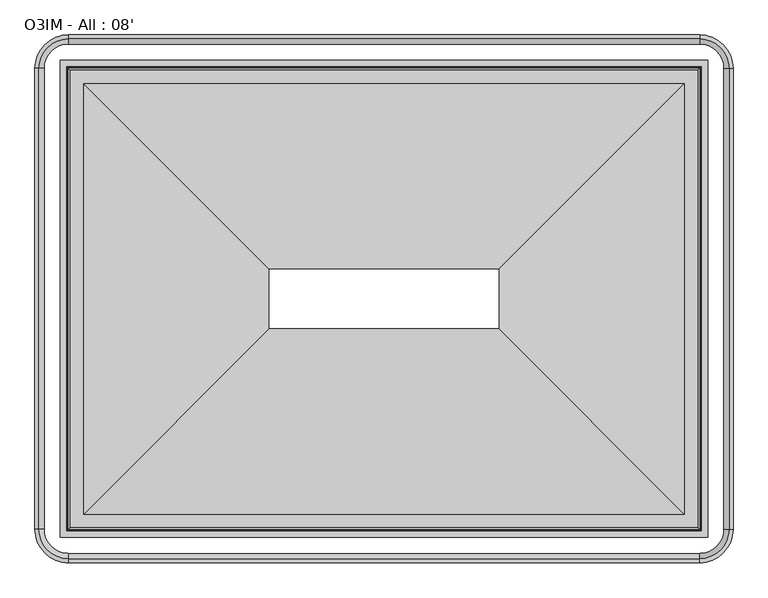
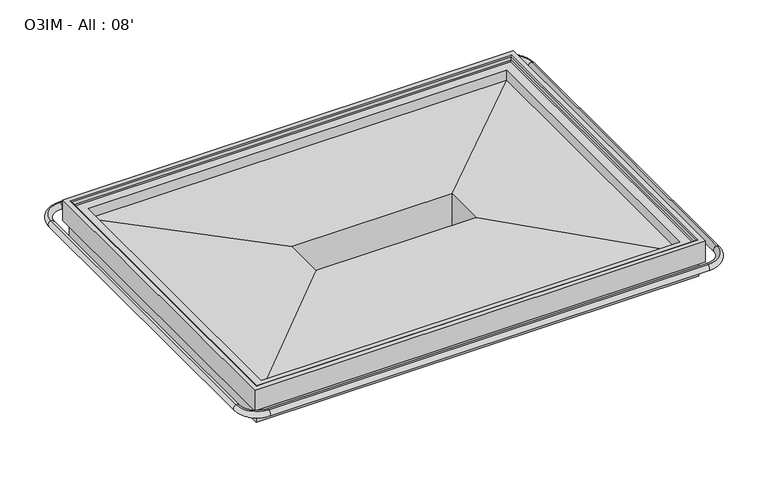
"""IFC4 building model written with IfcOpenShell, lengths in millimetres: proxy geometry, O3IM - All : 08'."""

from ifc_helpers import new_model, si_unit, point, frame, origin, place, context, project, spatial, circle_curve, ellipse_curve, trimmed, source, transform, mapped, element, save
from ifc_brep_helpers import plane_surface, cylinder_surface, revolved_surface, advanced_brep


def o3im_all_08_61d446ad(model_context):
    return source(origin(), model_context, "Body", "AdvancedBrep", [
        advanced_brep(
        [(1781.9369938, -1529.3959211, 583.240307), (2492.9940482, -2240.4529755, 564.6206228), (2492.9940482, -588.2148791, 564.6206228), (1781.9369938, -1299.2719335, 583.240307), (1781.9369938, -1529.3959211, 330.5006237), (1781.9369938, -1299.2719335, 330.5006237), (2068.1539195, -1815.6128468, 315.9996591), (2068.1539195, -1013.0550078, 315.9996591), (2083.2358253, -1830.6947526, 301.7115379), (2083.2358253, -997.973102, 301.7115379), (2098.3165925, -1845.7755198, 315.9985806), (2098.3165925, -982.8923348, 315.9985806), (2396.487379, -2143.9463063, 326.7908623), (2396.487379, -684.7215483, 326.7908623), (2559.335508, -2306.7944353, 440.8183498), (2559.335508, -521.8734193, 440.8183498), (2559.335508, -2306.7944353, 529.6852408), (2559.335508, -521.8734193, 529.6852408), (2582.1161501, -2329.5750774, 651.1666761), (2582.1161501, -2329.5750774, 529.6852408), (2582.1161501, -499.0927772, 529.6852408), (2582.1161501, -499.0927772, 651.1666761), (2552.8142767, -2300.273204, 646.4576372), (2556.8651876, -2304.3241149, 651.1666761), (2556.8651876, -524.3437397, 651.1666761), (2552.8142767, -528.3946506, 646.4576372), (2552.7229493, -2300.1818766, 625.4643319), (2552.7229493, -528.485978, 625.4643319), (2545.7031366, -2293.1620639, 622.6991544), (2545.7031366, -535.5057907, 622.6991544), (2492.9940482, -2240.4529755, 622.6991544), (2492.9940482, -588.2148791, 622.6991544), (186.7059518, -588.2148791, 564.6206228), (897.7630062, -1299.2719335, 583.240307), (897.7630062, -1299.2719335, 330.5006237), (611.5460805, -1013.0550078, 315.9996591), (596.4641747, -997.973102, 301.7115379), (581.3834075, -982.8923348, 315.9985806), (283.212621, -684.7215483, 326.7908623), (120.364492, -521.8734193, 440.8183498), (120.364492, -521.8734193, 529.6852408), (97.5838499, -499.0927772, 529.6852408), (97.5838499, -499.0927772, 651.1666761), (122.8348124, -524.3437397, 651.1666761), (126.8857233, -528.3946506, 646.4576372), (126.9770507, -528.485978, 625.4643319), (133.9968634, -535.5057907, 622.6991544), (186.7059518, -588.2148791, 622.6991544), (186.7059518, -2240.4529755, 564.6206228), (897.7630062, -1529.3959211, 583.240307), (897.7630062, -1529.3959211, 330.5006237), (611.5460805, -1815.6128468, 315.9996591), (596.4641747, -1830.6947526, 301.7115379), (581.3834075, -1845.7755198, 315.9985806), (283.212621, -2143.9463063, 326.7908623), (120.364492, -2306.7944353, 440.8183498), (120.364492, -2306.7944353, 529.6852408), (97.5838499, -2329.5750774, 529.6852408), (97.5838499, -2329.5750774, 651.1666761), (122.8348124, -2304.3241149, 651.1666761), (126.8857233, -2300.273204, 646.4576372), (126.9770507, -2300.1818766, 625.4643319), (133.9968634, -2293.1620639, 622.6991544), (186.7059518, -2240.4529755, 622.6991544)],
        [
            (0, 1),
            (1, 2),
            (2, 3),
            (3, 0),
            (4, 0),
            (3, 5),
            (5, 4),
            (6, 4),
            (5, 7),
            (7, 6),
            (8, 6),
            (7, 9),
            (9, 8),
            (10, 8),
            (9, 11),
            (11, 10),
            (12, 10),
            (11, 13),
            (13, 12),
            (14, 12),
            (13, 15),
            (15, 14),
            (16, 14),
            (15, 17),
            (17, 16),
            (18, 19),
            (19, 20),
            (20, 21),
            (21, 18),
            (22, 23, ellipse_curve(frame((2557.5767767, -2305.035704, 646.4576372), z_axis=(0.7071067811865475, 0.7071067811865475, 0.0), x_axis=(0.7071067811865474, -0.7071067811865476, 0.0)), 6.7351921, 4.7625)),
            (23, 24),
            (24, 25, ellipse_curve(frame((2557.5767767, -523.6321506, 646.4576372), z_axis=(0.7071067811865475, -0.7071067811865475, 0.0), x_axis=(-0.7071067811865474, -0.7071067811865476, 0.0)), 6.7351921, 4.7625)),
            (25, 22),
            (26, 22),
            (25, 27),
            (27, 26),
            (28, 26),
            (27, 29),
            (29, 28),
            (1, 30),
            (30, 31),
            (31, 2),
            (2, 32),
            (32, 33),
            (33, 3),
            (33, 34),
            (34, 5),
            (34, 35),
            (35, 7),
            (35, 36),
            (36, 9),
            (36, 37),
            (37, 11),
            (37, 38),
            (38, 13),
            (38, 39),
            (39, 15),
            (39, 40),
            (40, 17),
            (20, 41),
            (41, 42),
            (42, 21),
            (24, 43),
            (43, 44, ellipse_curve(frame((122.1232233, -523.6321506, 646.4576372), z_axis=(0.7071067811865475, 0.7071067811865475, 0.0), x_axis=(0.7071067811865476, -0.7071067811865474, 0.0)), 6.7351921, 4.7625)),
            (44, 25),
            (44, 45),
            (45, 27),
            (45, 46),
            (46, 29),
            (31, 47),
            (47, 32),
            (32, 48),
            (48, 49),
            (49, 33),
            (49, 50),
            (50, 34),
            (50, 51),
            (51, 35),
            (51, 52),
            (52, 36),
            (52, 53),
            (53, 37),
            (53, 54),
            (54, 38),
            (54, 55),
            (55, 39),
            (55, 56),
            (56, 40),
            (41, 57),
            (57, 58),
            (58, 42),
            (43, 59),
            (59, 60, ellipse_curve(frame((122.1232233, -2305.035704, 646.4576372), z_axis=(-0.7071067811865475, 0.7071067811865475, 0.0), x_axis=(0.7071067811865474, 0.7071067811865476, 0.0)), 6.7351921, 4.7625)),
            (60, 44),
            (60, 61),
            (61, 45),
            (61, 62),
            (62, 46),
            (47, 63),
            (63, 48),
            (48, 1),
            (0, 49),
            (4, 50),
            (6, 51),
            (8, 52),
            (10, 53),
            (12, 54),
            (14, 55),
            (16, 56),
            (19, 57),
            (18, 58),
            (23, 59),
            (22, 60),
            (26, 61),
            (28, 62),
            (30, 63),
        ],
        [
            plane_surface(frame((2492.9940482, -2240.4529755, 564.6206228), z_axis=(0.026176948307951815, 0.0, 0.9996573249755553), x_axis=(0.0, 1.0, 0.0))),
            plane_surface(frame((1781.9369938, -1529.3959211, 583.240307), z_axis=(-1.0, 0.0, 0.0), x_axis=(0.0, 1.0, 0.0))),
            plane_surface(frame((1781.9369938, -1529.3959211, 330.5006237), z_axis=(-0.05059934604185507, 0.0, -0.9987190326513942), x_axis=(0.0, 1.0, 0.0))),
            plane_surface(frame((2068.1539195, -1815.6128468, 315.9996591), z_axis=(-0.6877446479107937, 0.0, -0.7259526839058166), x_axis=(0.0, 1.0, 0.0))),
            plane_surface(frame((2083.2358253, -1830.6947526, 301.7115379), z_axis=(0.6877446479108454, 0.0, -0.7259526839057676), x_axis=(0.0, 1.0, 0.0))),
            plane_surface(frame((2098.3165925, -1845.7755198, 315.9985806), z_axis=(0.036171280996439965, 0.0, -0.9993456050991952), x_axis=(0.0, 1.0, 0.0))),
            plane_surface(frame((2396.487379, -2143.9463063, 326.7908623), z_axis=(0.5735764363510389, 0.0, -0.8191520442889968), x_axis=(0.0, 1.0, 0.0))),
            plane_surface(frame((2559.335508, -2306.7944353, 440.8183498), z_axis=(1.0, 0.0, 0.0), x_axis=(0.0, 1.0, 0.0))),
            plane_surface(frame((2582.1161501, -2329.5750774, 529.6852408), z_axis=(1.0, 0.0, 0.0), x_axis=(0.0, 1.0, 0.0))),
            cylinder_surface(frame((2557.5767767, -2427.1589273, 646.4576372), z_axis=(0.0, -1.0, 0.0), x_axis=(-1.0, 0.0, 0.0)), 4.7625),
            plane_surface(frame((2552.8142767, -2300.273204, 646.4576372), z_axis=(-0.9999905375281687, 0.0, 0.004350270580597052), x_axis=(0.0, 1.0, 0.0))),
            plane_surface(frame((2552.7229493, -2300.1818766, 625.4643319), z_axis=(-0.366501192754731, 0.0, 0.9304175813629919), x_axis=(0.0, 1.0, 0.0))),
            plane_surface(frame((2492.9940482, -2240.4529755, 622.6991544), z_axis=(-1.0, 0.0, 0.0), x_axis=(0.0, 1.0, 0.0))),
            plane_surface(frame((2492.9940482, -588.2148791, 564.6206228), z_axis=(0.0, 0.026176948307951815, 0.9996573249755553), x_axis=(-1.0, 0.0, 0.0))),
            plane_surface(frame((1781.9369938, -1299.2719335, 583.240307), z_axis=(0.0, -1.0, 0.0), x_axis=(-1.0, 0.0, 0.0))),
            plane_surface(frame((1781.9369938, -1299.2719335, 330.5006237), z_axis=(0.0, -0.05059934604185507, -0.9987190326513942), x_axis=(-1.0, 0.0, 0.0))),
            plane_surface(frame((2068.1539195, -1013.0550078, 315.9996591), z_axis=(0.0, -0.6877446479107937, -0.7259526839058166), x_axis=(-1.0, 0.0, 0.0))),
            plane_surface(frame((2083.2358253, -997.973102, 301.7115379), z_axis=(0.0, 0.6877446479108454, -0.7259526839057676), x_axis=(-1.0, 0.0, 0.0))),
            plane_surface(frame((2098.3165925, -982.8923348, 315.9985806), z_axis=(0.0, 0.036171280996439965, -0.9993456050991952), x_axis=(-1.0, 0.0, 0.0))),
            plane_surface(frame((2396.487379, -684.7215483, 326.7908623), z_axis=(0.0, 0.5735764363510389, -0.8191520442889968), x_axis=(-1.0, 0.0, 0.0))),
            plane_surface(frame((2559.335508, -521.8734193, 440.8183498), z_axis=(0.0, 1.0, 0.0), x_axis=(-1.0, 0.0, 0.0))),
            plane_surface(frame((2582.1161501, -499.0927772, 529.6852408), z_axis=(0.0, 1.0, 0.0), x_axis=(-1.0, 0.0, 0.0))),
            cylinder_surface(frame((2679.7, -523.6321506, 646.4576372), z_axis=(1.0, 0.0, 0.0), x_axis=(0.0, -1.0, 0.0)), 4.7625),
            plane_surface(frame((2552.8142767, -528.3946506, 646.4576372), z_axis=(0.0, -0.9999905375281687, 0.004350270580597052), x_axis=(-1.0, 0.0, 0.0))),
            plane_surface(frame((2552.7229493, -528.485978, 625.4643319), z_axis=(0.0, -0.366501192754731, 0.9304175813629919), x_axis=(-1.0, 0.0, 0.0))),
            plane_surface(frame((2492.9940482, -588.2148791, 622.6991544), z_axis=(0.0, -1.0, 0.0), x_axis=(-1.0, 0.0, 0.0))),
            plane_surface(frame((186.7059518, -588.2148791, 564.6206228), z_axis=(-0.026176948307951815, 0.0, 0.9996573249755553), x_axis=(0.0, -1.0, 0.0))),
            plane_surface(frame((897.7630062, -1299.2719335, 583.240307), z_axis=(1.0, 0.0, 0.0), x_axis=(0.0, -1.0, 0.0))),
            plane_surface(frame((897.7630062, -1299.2719335, 330.5006237), z_axis=(0.05059934604185507, 0.0, -0.9987190326513942), x_axis=(0.0, -1.0, 0.0))),
            plane_surface(frame((611.5460805, -1013.0550078, 315.9996591), z_axis=(0.6877446479107937, 0.0, -0.7259526839058166), x_axis=(0.0, -1.0, 0.0))),
            plane_surface(frame((596.4641747, -997.973102, 301.7115379), z_axis=(-0.6877446479108454, 0.0, -0.7259526839057676), x_axis=(0.0, -1.0, 0.0))),
            plane_surface(frame((581.3834075, -982.8923348, 315.9985806), z_axis=(-0.036171280996439965, 0.0, -0.9993456050991952), x_axis=(0.0, -1.0, 0.0))),
            plane_surface(frame((283.212621, -684.7215483, 326.7908623), z_axis=(-0.5735764363510389, 0.0, -0.8191520442889968), x_axis=(0.0, -1.0, 0.0))),
            plane_surface(frame((120.364492, -521.8734193, 440.8183498), z_axis=(-1.0, 0.0, 0.0), x_axis=(0.0, -1.0, 0.0))),
            plane_surface(frame((97.5838499, -499.0927772, 529.6852408), z_axis=(-1.0, 0.0, 0.0), x_axis=(0.0, -1.0, 0.0))),
            cylinder_surface(frame((122.1232233, -401.5089273, 646.4576372), z_axis=(0.0, 1.0, 0.0), x_axis=(1.0, 0.0, 0.0)), 4.7625),
            plane_surface(frame((126.8857233, -528.3946506, 646.4576372), z_axis=(0.9999905375281687, 0.0, 0.004350270580597052), x_axis=(0.0, -1.0, 0.0))),
            plane_surface(frame((126.9770507, -528.485978, 625.4643319), z_axis=(0.366501192754731, 0.0, 0.9304175813629919), x_axis=(0.0, -1.0, 0.0))),
            plane_surface(frame((186.7059518, -588.2148791, 622.6991544), z_axis=(1.0, 0.0, 0.0), x_axis=(0.0, -1.0, 0.0))),
            plane_surface(frame((186.7059518, -2240.4529755, 564.6206228), z_axis=(0.0, -0.026176948307951815, 0.9996573249755553), x_axis=(1.0, 0.0, 0.0))),
            plane_surface(frame((897.7630062, -1529.3959211, 583.240307), z_axis=(0.0, 1.0, 0.0), x_axis=(1.0, 0.0, 0.0))),
            plane_surface(frame((897.7630062, -1529.3959211, 330.5006237), z_axis=(0.0, 0.05059934604185507, -0.9987190326513942), x_axis=(1.0, 0.0, 0.0))),
            plane_surface(frame((611.5460805, -1815.6128468, 315.9996591), z_axis=(0.0, 0.6877446479107937, -0.7259526839058166), x_axis=(1.0, 0.0, 0.0))),
            plane_surface(frame((596.4641747, -1830.6947526, 301.7115379), z_axis=(0.0, -0.6877446479108454, -0.7259526839057676), x_axis=(1.0, 0.0, 0.0))),
            plane_surface(frame((581.3834075, -1845.7755198, 315.9985806), z_axis=(0.0, -0.036171280996439965, -0.9993456050991952), x_axis=(1.0, 0.0, 0.0))),
            plane_surface(frame((283.212621, -2143.9463063, 326.7908623), z_axis=(0.0, -0.5735764363510389, -0.8191520442889968), x_axis=(1.0, 0.0, 0.0))),
            plane_surface(frame((120.364492, -2306.7944353, 440.8183498), z_axis=(0.0, -1.0, 0.0), x_axis=(1.0, 0.0, 0.0))),
            plane_surface(frame((120.364492, -2306.7944353, 529.6852408), z_axis=(0.0, 0.0, -1.0), x_axis=(1.0, 0.0, 0.0))),
            plane_surface(frame((97.5838499, -2329.5750774, 529.6852408), z_axis=(0.0, -1.0, 0.0), x_axis=(1.0, 0.0, 0.0))),
            plane_surface(frame((97.5838499, -2329.5750774, 651.1666761), z_axis=(0.0, 0.0, 1.0), x_axis=(1.0, 0.0, 0.0))),
            cylinder_surface(frame((0.0, -2305.035704, 646.4576372), z_axis=(-1.0, 0.0, 0.0), x_axis=(0.0, 1.0, 0.0)), 4.7625),
            plane_surface(frame((126.8857233, -2300.273204, 646.4576372), z_axis=(0.0, 0.9999905375281687, 0.004350270580597052), x_axis=(1.0, 0.0, 0.0))),
            plane_surface(frame((126.9770507, -2300.1818766, 625.4643319), z_axis=(0.0, 0.366501192754731, 0.9304175813629919), x_axis=(1.0, 0.0, 0.0))),
            plane_surface(frame((133.9968634, -2293.1620639, 622.6991544), z_axis=(0.0, 0.0, 1.0), x_axis=(1.0, 0.0, 0.0))),
            plane_surface(frame((186.7059518, -2240.4529755, 622.6991544), z_axis=(0.0, 1.0, 0.0), x_axis=(1.0, 0.0, 0.0))),
        ],
        [
            (0, [[1, 2, 3, 4]]),
            (1, [[5, -4, 6, 7]]),
            (2, [[8, -7, 9, 10]]),
            (3, [[11, -10, 12, 13]]),
            (4, [[14, -13, 15, 16]]),
            (5, [[17, -16, 18, 19]]),
            (6, [[20, -19, 21, 22]]),
            (7, [[23, -22, 24, 25]]),
            (8, [[26, 27, 28, 29]]),
            (9, [[30, 31, 32, 33]]),
            (10, [[34, -33, 35, 36]]),
            (11, [[37, -36, 38, 39]]),
            (12, [[40, 41, 42, -2]]),
            (13, [[-3, 43, 44, 45]]),
            (14, [[-6, -45, 46, 47]]),
            (15, [[-9, -47, 48, 49]]),
            (16, [[-12, -49, 50, 51]]),
            (17, [[-15, -51, 52, 53]]),
            (18, [[-18, -53, 54, 55]]),
            (19, [[-21, -55, 56, 57]]),
            (20, [[-24, -57, 58, 59]]),
            (21, [[-28, 60, 61, 62]]),
            (22, [[-32, 63, 64, 65]]),
            (23, [[-35, -65, 66, 67]]),
            (24, [[-38, -67, 68, 69]]),
            (25, [[-42, 70, 71, -43]]),
            (26, [[-44, 72, 73, 74]]),
            (27, [[-46, -74, 75, 76]]),
            (28, [[-48, -76, 77, 78]]),
            (29, [[-50, -78, 79, 80]]),
            (30, [[-52, -80, 81, 82]]),
            (31, [[-54, -82, 83, 84]]),
            (32, [[-56, -84, 85, 86]]),
            (33, [[-58, -86, 87, 88]]),
            (34, [[-61, 89, 90, 91]]),
            (35, [[-64, 92, 93, 94]]),
            (36, [[-66, -94, 95, 96]]),
            (37, [[-68, -96, 97, 98]]),
            (38, [[-71, 99, 100, -72]]),
            (39, [[-73, 101, -1, 102]]),
            (40, [[-75, -102, -5, 103]]),
            (41, [[-77, -103, -8, 104]]),
            (42, [[-79, -104, -11, 105]]),
            (43, [[-81, -105, -14, 106]]),
            (44, [[-83, -106, -17, 107]]),
            (45, [[-85, -107, -20, 108]]),
            (46, [[-87, -108, -23, 109]]),
            (47, [[110, -89, -60, -27], [-59, -88, -109, -25]]),
            (48, [[-90, -110, -26, 111]]),
            (49, [[-62, -91, -111, -29], [112, -92, -63, -31]]),
            (50, [[-93, -112, -30, 113]]),
            (51, [[-95, -113, -34, 114]]),
            (52, [[-97, -114, -37, 115]]),
            (53, [[-69, -98, -115, -39], [116, -99, -70, -41]]),
            (54, [[-100, -116, -40, -101]]),
        ],
    ),
        advanced_brep(
        [(15.5691464, -2298.62165, 576.4502877), (128.5372773, -2411.5897809, 576.4502877), (128.5372773, -2412.2459044, 541.7869334), (14.9130229, -2298.62165, 541.7869334), (14.9130229, -530.0462046, 541.7869334), (15.5691464, -530.0462046, 576.4502877), (128.5372773, -417.0780737, 576.4502877), (128.5372773, -416.4219502, 541.7869334), (2551.1627227, -416.4219502, 541.7869334), (2551.1627227, -417.0780737, 576.4502877), (2664.1308536, -530.0462046, 576.4502877), (2664.7869771, -530.0462046, 541.7869334), (2664.7869771, -2298.62165, 541.7869334), (2664.1308536, -2298.62165, 576.4502877), (2551.1627227, -2411.5897809, 576.4502877), (2551.1627227, -2412.2459044, 541.7869334)],
        [
            (0, 1, circle_curve(frame((128.5372773, -2298.62165, 576.4502877), z_axis=(0.0, 0.0, 1.0), x_axis=(0.0, -1.0, 0.0)), 112.9681309)),
            (1, 2, circle_curve(frame((128.5372773, -2409.555689, 559.0738987), z_axis=(-1.0, 0.0, 0.0), x_axis=(0.0, -1.0, 0.0)), 17.49504)),
            (2, 3, circle_curve(frame((128.5372773, -2298.62165, 541.7869334), z_axis=(0.0, 0.0, -1.0), x_axis=(0.0, -1.0, 0.0)), 113.6242544)),
            (3, 0, circle_curve(frame((17.6032383, -2298.62165, 559.0738987), z_axis=(0.0, -1.0, 0.0), x_axis=(-1.0, 0.0, 0.0)), 17.49504)),
            (2, 1, circle_curve(frame((128.5372773, -2409.555689, 559.0738987), z_axis=(-1.0, 0.0, 0.0), x_axis=(0.0, -1.0, 0.0)), 17.49504)),
            (0, 3, circle_curve(frame((17.6032383, -2298.62165, 559.0738987), z_axis=(0.0, -1.0, 0.0), x_axis=(-1.0, 0.0, 0.0)), 17.49504)),
            (3, 4),
            (4, 5, circle_curve(frame((17.6032383, -530.0462046, 559.0738987), z_axis=(0.0, -1.0, 0.0), x_axis=(-1.0, 0.0, 0.0)), 17.49504)),
            (5, 0),
            (5, 4, circle_curve(frame((17.6032383, -530.0462046, 559.0738987), z_axis=(0.0, -1.0, 0.0), x_axis=(-1.0, 0.0, 0.0)), 17.49504)),
            (6, 5, circle_curve(frame((128.5372773, -530.0462046, 576.4502877), z_axis=(0.0, 0.0, 1.0), x_axis=(-1.0, 0.0, 0.0)), 112.9681309)),
            (4, 7, circle_curve(frame((128.5372773, -530.0462046, 541.7869334), z_axis=(0.0, 0.0, -1.0), x_axis=(-1.0, 0.0, 0.0)), 113.6242544)),
            (7, 6, circle_curve(frame((128.5372773, -419.1121656, 559.0738987), z_axis=(-1.0, 0.0, 0.0), x_axis=(0.0, 1.0, 0.0)), 17.49504)),
            (6, 7, circle_curve(frame((128.5372773, -419.1121656, 559.0738987), z_axis=(-1.0, 0.0, 0.0), x_axis=(0.0, 1.0, 0.0)), 17.49504)),
            (7, 8),
            (8, 9, circle_curve(frame((2551.1627227, -419.1121656, 559.0738987), z_axis=(-1.0, 0.0, 0.0), x_axis=(0.0, 1.0, 0.0)), 17.49504)),
            (9, 6),
            (9, 8, circle_curve(frame((2551.1627227, -419.1121656, 559.0738987), z_axis=(-1.0, 0.0, 0.0), x_axis=(0.0, 1.0, 0.0)), 17.49504)),
            (10, 9, circle_curve(frame((2551.1627227, -530.0462046, 576.4502877), z_axis=(0.0, 0.0, 1.0), x_axis=(0.0, 1.0, 0.0)), 112.9681309)),
            (8, 11, circle_curve(frame((2551.1627227, -530.0462046, 541.7869334), z_axis=(0.0, 0.0, -1.0), x_axis=(0.0, 1.0, 0.0)), 113.6242544)),
            (11, 10, circle_curve(frame((2662.0967617, -530.0462046, 559.0738987), z_axis=(0.0, 1.0, 0.0), x_axis=(1.0, 0.0, 0.0)), 17.49504)),
            (10, 11, circle_curve(frame((2662.0967617, -530.0462046, 559.0738987), z_axis=(0.0, 1.0, 0.0), x_axis=(1.0, 0.0, 0.0)), 17.49504)),
            (11, 12),
            (12, 13, circle_curve(frame((2662.0967617, -2298.62165, 559.0738987), z_axis=(0.0, 1.0, 0.0), x_axis=(1.0, 0.0, 0.0)), 17.49504)),
            (13, 10),
            (13, 12, circle_curve(frame((2662.0967617, -2298.62165, 559.0738987), z_axis=(0.0, 1.0, 0.0), x_axis=(1.0, 0.0, 0.0)), 17.49504)),
            (14, 13, circle_curve(frame((2551.1627227, -2298.62165, 576.4502877), z_axis=(0.0, 0.0, 1.0), x_axis=(1.0, 0.0, 0.0)), 112.9681309)),
            (12, 15, circle_curve(frame((2551.1627227, -2298.62165, 541.7869334), z_axis=(0.0, 0.0, -1.0), x_axis=(1.0, 0.0, 0.0)), 113.6242544)),
            (15, 14, circle_curve(frame((2551.1627227, -2409.555689, 559.0738987), z_axis=(1.0, 0.0, 0.0), x_axis=(0.0, -1.0, 0.0)), 17.49504)),
            (14, 15, circle_curve(frame((2551.1627227, -2409.555689, 559.0738987), z_axis=(1.0, 0.0, 0.0), x_axis=(0.0, -1.0, 0.0)), 17.49504)),
            (15, 2),
            (1, 14),
        ],
        [
            revolved_surface(trimmed(ellipse_curve(frame((128.5372773, -2409.555689, 559.0738987), z_axis=(1.0, 0.0, 0.0), x_axis=(0.0, -1.0, 0.0)), 17.49504, 17.49504), [point((128.5372773, -2412.2459044, 541.7869334))], [point((128.5372773, -2411.5897809, 576.4502877))], True, "CARTESIAN"), (128.5372773, -2298.62165, 0.0), (0.0, 0.0, -1.0)),
            revolved_surface(trimmed(ellipse_curve(frame((128.5372773, -2409.555689, 559.0738987), z_axis=(1.0, 0.0, 0.0), x_axis=(0.0, -1.0, 0.0)), 17.49504, 17.49504), [point((128.5372773, -2411.5897809, 576.4502877))], [point((128.5372773, -2412.2459044, 541.7869334))], True, "CARTESIAN"), (128.5372773, -2298.62165, 0.0), (0.0, 0.0, -1.0)),
            cylinder_surface(frame((17.6032383, -2298.62165, 559.0738987), z_axis=(0.0, -1.0, 0.0), x_axis=(-1.0, 0.0, 0.0)), 17.49504),
            revolved_surface(trimmed(ellipse_curve(frame((17.6032383, -530.0462046, 559.0738987), z_axis=(0.0, -1.0, 0.0), x_axis=(-1.0, 0.0, 0.0)), 17.49504, 17.49504), [point((14.9130229, -530.0462046, 541.7869334))], [point((15.5691464, -530.0462046, 576.4502877))], True, "CARTESIAN"), (128.5372773, -530.0462046, 0.0), (0.0, 0.0, -1.0)),
            revolved_surface(trimmed(ellipse_curve(frame((17.6032383, -530.0462046, 559.0738987), z_axis=(0.0, -1.0, 0.0), x_axis=(-1.0, 0.0, 0.0)), 17.49504, 17.49504), [point((15.5691464, -530.0462046, 576.4502877))], [point((14.9130229, -530.0462046, 541.7869334))], True, "CARTESIAN"), (128.5372773, -530.0462046, 0.0), (0.0, 0.0, -1.0)),
            cylinder_surface(frame((128.5372773, -419.1121656, 559.0738987), z_axis=(-1.0, 0.0, 0.0), x_axis=(0.0, 1.0, 0.0)), 17.49504),
            revolved_surface(trimmed(ellipse_curve(frame((2551.1627227, -419.1121656, 559.0738987), z_axis=(-1.0, 0.0, 0.0), x_axis=(0.0, 1.0, 0.0)), 17.49504, 17.49504), [point((2551.1627227, -416.4219502, 541.7869334))], [point((2551.1627227, -417.0780737, 576.4502877))], True, "CARTESIAN"), (2551.1627227, -530.0462046, 0.0), (0.0, 0.0, -1.0)),
            revolved_surface(trimmed(ellipse_curve(frame((2551.1627227, -419.1121656, 559.0738987), z_axis=(-1.0, 0.0, 0.0), x_axis=(0.0, 1.0, 0.0)), 17.49504, 17.49504), [point((2551.1627227, -417.0780737, 576.4502877))], [point((2551.1627227, -416.4219502, 541.7869334))], True, "CARTESIAN"), (2551.1627227, -530.0462046, 0.0), (0.0, 0.0, -1.0)),
            cylinder_surface(frame((2662.0967617, -530.0462046, 559.0738987), z_axis=(0.0, 1.0, 0.0), x_axis=(1.0, 0.0, 0.0)), 17.49504),
            revolved_surface(trimmed(ellipse_curve(frame((2662.0967617, -2298.62165, 559.0738987), z_axis=(0.0, 1.0, 0.0), x_axis=(1.0, 0.0, 0.0)), 17.49504, 17.49504), [point((2664.7869771, -2298.62165, 541.7869334))], [point((2664.1308536, -2298.62165, 576.4502877))], True, "CARTESIAN"), (2551.1627227, -2298.62165, 0.0), (0.0, 0.0, -1.0)),
            revolved_surface(trimmed(ellipse_curve(frame((2662.0967617, -2298.62165, 559.0738987), z_axis=(0.0, 1.0, 0.0), x_axis=(1.0, 0.0, 0.0)), 17.49504, 17.49504), [point((2664.1308536, -2298.62165, 576.4502877))], [point((2664.7869771, -2298.62165, 541.7869334))], True, "CARTESIAN"), (2551.1627227, -2298.62165, 0.0), (0.0, 0.0, -1.0)),
            cylinder_surface(frame((2551.1627227, -2409.555689, 559.0738987), z_axis=(1.0, 0.0, 0.0), x_axis=(0.0, -1.0, 0.0)), 17.49504),
        ],
        [
            (0, [[1, 2, 3, 4]]),
            (1, [[-3, 5, -1, 6]]),
            (2, [[-4, 7, 8, 9]]),
            (2, [[-6, -9, 10, -7]]),
            (3, [[11, -8, 12, 13]]),
            (4, [[-12, -10, -11, 14]]),
            (5, [[-13, 15, 16, 17]]),
            (5, [[-14, -17, 18, -15]]),
            (6, [[19, -16, 20, 21]]),
            (7, [[-20, -18, -19, 22]]),
            (8, [[-21, 23, 24, 25]]),
            (8, [[-22, -25, 26, -23]]),
            (9, [[27, -24, 28, 29]]),
            (10, [[-28, -26, -27, 30]]),
            (11, [[-29, 31, -2, 32]]),
            (11, [[-30, -32, -5, -31]]),
        ],
    ),
    ])


if __name__ == "__main__":
    model = new_model("IFC4")
    model_context = context("Model", 3, world=origin())
    ifc_project = project(units=[si_unit("LENGTHUNIT", "METRE", prefix="MILLI")], contexts=[model_context])
    site = spatial("IfcSite", under=ifc_project)
    building = spatial("IfcBuilding", under=site)
    placement = place(None, origin())
    o3im_all_08_shape = o3im_all_08_61d446ad(model_context)
    element("IfcBuildingElementProxy", 1, Name="O3IM - All : 08'", ObjectType="O3IM - All : 08'", at=placement, inside=building, context=model_context, shape_type="MappedRepresentation", body=[
        mapped(o3im_all_08_shape, transform((0.0, 0.0, 0.0), x_axis=(1.0, 0.0, 0.0), y_axis=(0.0, 1.0, 0.0), z_axis=(0.0, 0.0, 1.0))),
    ])
    save(model, "model.ifc")
